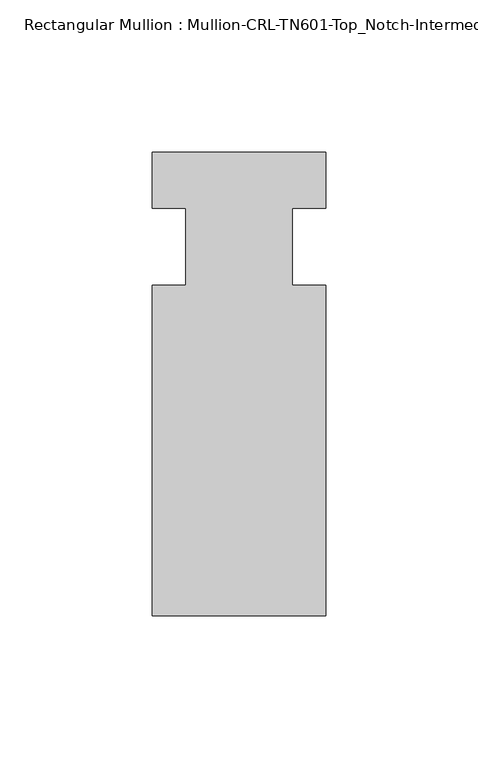
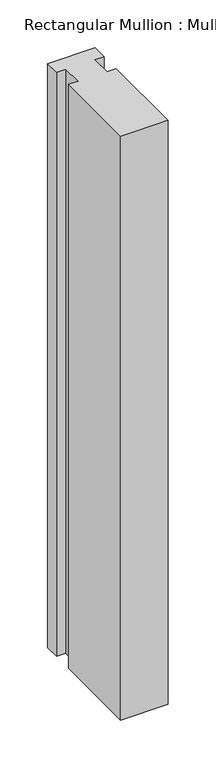
"""IFC4 building model written with IfcOpenShell, lengths in millimetres: member geometry, Rectangular Mullion : Mullion-CRL-TN601-Top_Notch-Intermediate_Vertical."""

from ifc_helpers import new_model, si_unit, frame, origin, place, context, project, spatial, polyline, outline, extrude, source, transform, mapped, element, save


def rectangular_mullion_mullion_crl_tn601_top_notch_intermediate_407d8605(model_context):
    return source(origin(), model_context, "Body", "SweptSolid", [
        extrude(outline(polyline([(-28.575, -12.7), (-17.4625, -12.7), (-17.4625, 12.7), (-28.575, 12.7), (-28.575, 31.1404), (28.575, 31.1404), (28.575, 12.7), (17.4625, 12.7), (17.4625, -12.7), (28.575, -12.7), (28.575, -121.2596), (-28.575, -121.2596), (-28.575, -12.7)])), frame((0.0, 0.0, -743.9157293), z_axis=(0.0, 0.0, 1.0), x_axis=(1.0, 0.0, 0.0)), (0.0, 0.0, 1.0), 743.9157293),
    ])


if __name__ == "__main__":
    model = new_model("IFC4")
    model_context = context("Model", 3, world=origin())
    ifc_project = project(units=[si_unit("LENGTHUNIT", "METRE", prefix="MILLI")], contexts=[model_context])
    site = spatial("IfcSite", under=ifc_project)
    building = spatial("IfcBuilding", under=site)
    placement = place(None, origin())
    rectangular_mullion_mullion_crl_tn601_top_notch_intermediate_shape = rectangular_mullion_mullion_crl_tn601_top_notch_intermediate_407d8605(model_context)
    element("IfcMember", 1, ObjectType="Rectangular Mullion : Mullion-CRL-TN601-Top_Notch-Intermediate_Vertical", at=placement, inside=building, context=model_context, shape_type="MappedRepresentation", body=[
        mapped(rectangular_mullion_mullion_crl_tn601_top_notch_intermediate_shape, transform((0.0, 0.0, 0.0), x_axis=(1.0, 0.0, 0.0), y_axis=(0.0, 1.0, 0.0), z_axis=(0.0, 0.0, 1.0))),
    ])
    save(model, "model.ifc")
